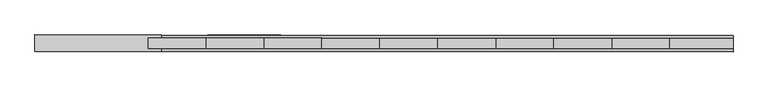
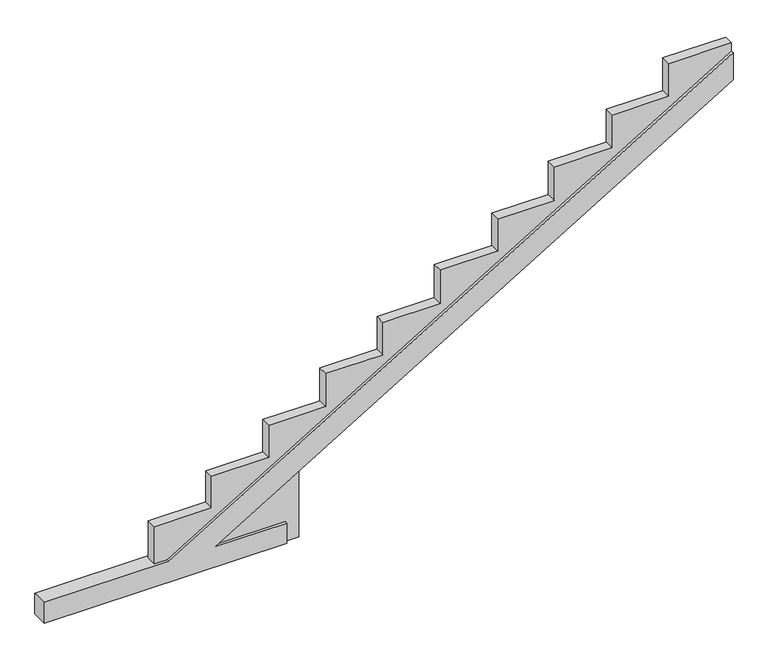
"""IFC4 building model written with IfcOpenShell, lengths in millimetres: beam geometry."""

from ifc_helpers import new_model, si_unit, origin, place, context, project, spatial, faceted_brep, source, transform, mapped, element, save


def beam_6bbf55b4(model_context):
    return source(origin(), model_context, "Body", "Brep", [
        faceted_brep([(116655.1334066, 97176.1669495, -297.4071846), (116655.1334066, 97176.1669495, -51.4737243), (115816.8658485, 97176.880054, -51.4737243), (121845.2675928, 97171.7517623, 3593.1066772), (121845.2675928, 97171.7517623, 3925.5418954), (115283.5344859, 97177.3337528, -41.4737243), (113834.095413, 97178.5667739, -41.4737243), (113834.095413, 97178.5667739, -297.4071846), (116655.2949099, 97366.0170024, -297.4071846), (113834.2569162, 97368.4168269, -297.4071846), (113834.2569162, 97368.4168269, -41.4737243), (115283.6959892, 97367.1838058, -41.4737243), (121845.4290961, 97361.6018153, 3925.5418954), (121845.4290961, 97361.6018153, 3593.1066772), (115817.0273518, 97366.730107, -51.4737243), (116655.2949099, 97366.0170024, -51.4737243), (116655.2626741, 97328.1233208, -297.4071846), (116811.1088585, 97327.9907443, -297.4071846), (116811.0092134, 97210.8561465, -297.4071846), (116655.1630291, 97210.988723, -297.4071846), (113834.1250355, 97213.3885474, -41.4737243), (113834.2246805, 97330.5231452, -41.4737243), (115283.5641084, 97212.1555264, -41.4737243), (115133.0627451, 97212.2835561, -41.4737243), (115133.1623902, 97329.4181539, -41.4737243), (115283.6637535, 97329.2901242, -41.4737243), (121845.2972153, 97206.5735359, 3925.5418954), (121845.3968603, 97323.7081337, 3925.5418954), (121845.3968603, 97323.7081337, 4027.5116193), (121845.2972153, 97206.5735359, 4027.5116193), (115816.895471, 97211.7018275, -51.4737243), (116811.0092134, 97210.8561465, 549.5358992), (116811.1088585, 97327.9907443, 549.5358992), (115816.9951161, 97328.8364253, -51.4737243), (116655.1630291, 97210.988723, -51.4737243), (116655.2626741, 97328.1233208, -51.4737243), (121117.2406987, 97207.1928851, 4027.5116193), (121117.2406987, 97207.1928851, 3622.5728422), (120460.4702693, 97207.7515921, 3622.5728422), (120460.4702693, 97207.7515921, 3218.8243174), (119785.3757846, 97208.3258872, 3218.8243174), (119785.3757846, 97208.3258872, 2808.3745723), (119125.3068838, 97208.8874002, 2808.3745723), (119125.3068838, 97208.8874002, 2412.9766577), (118456.8614741, 97209.456039, 2412.9766577), (118456.8614741, 97209.456039, 2002.5269125), (117791.766668, 97210.0218274, 2002.5269125), (117791.766668, 97210.0218274, 1603.804303), (117126.6979279, 97210.5875937, 1603.804303), (117126.6979279, 97210.5875937, 1200.0557782), (116463.2523574, 97211.1519792, 1200.0557782), (116463.2523574, 97211.1519792, 802.9825585), (115798.1575513, 97211.7177677, 802.9825585), (115798.1575513, 97211.7177677, 416.0129997), (115133.0627451, 97212.2835561, 416.0129997), (115133.1623902, 97329.4181539, 416.0129997), (115798.2571963, 97328.8523655, 416.0129997), (115798.2571963, 97328.8523655, 802.9825585), (116463.3520025, 97328.286577, 802.9825585), (116463.3520025, 97328.286577, 1200.0557782), (117126.7975729, 97327.7221915, 1200.0557782), (117126.7975729, 97327.7221915, 1603.804303), (117791.866313, 97327.1564252, 1603.804303), (117791.866313, 97327.1564252, 2002.5269125), (118456.9611192, 97326.5906368, 2002.5269125), (118456.9611192, 97326.5906368, 2412.9766577), (119125.4065289, 97326.021998, 2412.9766577), (119125.4065289, 97326.021998, 2808.3745723), (119785.4754297, 97325.460485, 2808.3745723), (119785.4754297, 97325.460485, 3218.8243174), (120460.5699144, 97324.8861899, 3218.8243174), (120460.5699144, 97324.8861899, 3622.5728422), (121117.3403438, 97324.3274829, 3622.5728422), (121117.3403438, 97324.3274829, 4027.5116193)], [[[0, 1, 2, 3, 4, 5, 6, 7]], [[8, 9, 10, 11, 12, 13, 14, 15]], [[0, 7, 9, 8, 16, 17, 18, 19]], [[9, 7, 6, 20, 21, 10]], [[6, 5, 22, 23, 24, 25, 11, 10, 21, 20]], [[5, 4, 26, 22]], [[12, 11, 25, 27]], [[4, 3, 13, 12, 27, 28, 29, 26]], [[3, 2, 30, 31, 32, 33, 14, 13]], [[2, 1, 34, 30]], [[15, 14, 33, 35]], [[1, 0, 19, 34]], [[8, 15, 35, 16]], [[19, 18, 31, 30, 34]], [[29, 36, 37, 38, 39, 40, 41, 42, 43, 44, 45, 46, 47, 48, 49, 50, 51, 52, 53, 54, 23, 22, 26]], [[17, 16, 35, 33, 32]], [[24, 55, 56, 57, 58, 59, 60, 61, 62, 63, 64, 65, 66, 67, 68, 69, 70, 71, 72, 73, 28, 27, 25]], [[18, 17, 32, 31]], [[23, 54, 55, 24]], [[54, 53, 56, 55]], [[53, 52, 57, 56]], [[52, 51, 58, 57]], [[51, 50, 59, 58]], [[50, 49, 60, 59]], [[49, 48, 61, 60]], [[48, 47, 62, 61]], [[47, 46, 63, 62]], [[46, 45, 64, 63]], [[45, 44, 65, 64]], [[44, 43, 66, 65]], [[43, 42, 67, 66]], [[42, 41, 68, 67]], [[41, 40, 69, 68]], [[40, 39, 70, 69]], [[39, 38, 71, 70]], [[38, 37, 72, 71]], [[37, 36, 73, 72]], [[36, 29, 28, 73]]]),
    ])


if __name__ == "__main__":
    model = new_model("IFC4")
    model_context = context("Model", 3, world=origin())
    ifc_project = project(units=[si_unit("LENGTHUNIT", "METRE", prefix="MILLI")], contexts=[model_context])
    site = spatial("IfcSite", under=ifc_project)
    building = spatial("IfcBuilding", under=site)
    placement = place(None, origin())
    beam_shape = beam_6bbf55b4(model_context)
    element("IfcBeam", 1, at=placement, inside=building, context=model_context, shape_type="MappedRepresentation", body=[
        mapped(beam_shape, transform((0.0, 0.0, 0.0), x_axis=(1.0, 0.0, 0.0), y_axis=(0.0, 1.0, 0.0), z_axis=(0.0, 0.0, 1.0))),
    ])
    save(model, "model.ifc")
